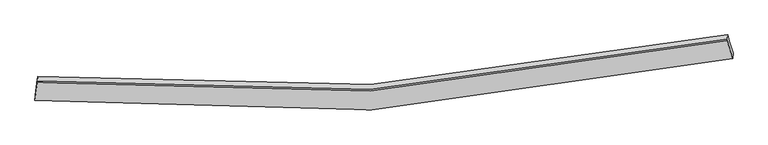
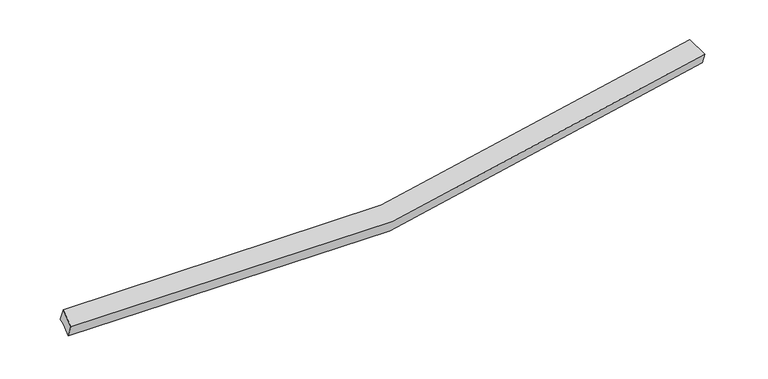
"""IFC4 building model written with IfcOpenShell, lengths in millimetres: proxy geometry."""

from ifc_helpers import new_model, si_unit, frame, origin, place, context, project, spatial, source, transform, mapped, element, save
from ifc_brep_helpers import plane_surface, spline_curve, spline_surface, advanced_brep


def generic_models_c11618d9(model_context):
    return source(origin(), model_context, "Body", "AdvancedBrep", [
        advanced_brep(
        [(-12541.2659263, -2339.3480338, 1118.2940309), (-12480.9267419, -1888.0048025, 1303.6959401), (12757.7044496, -355.5248665, 2635.7819942), (12892.754505, -794.6274819, 2460.636988), (-12554.4323558, -2538.0015397, 1606.182032), (12879.5880755, -993.2809878, 2948.5249891), (-12465.7684718, -1874.7866772, 1878.6161647), (12681.1421972, -348.0527878, 3205.8873757), (-12462.1891794, -1820.7827442, 1745.983867), (12684.7214895, -294.0488548, 3073.2550781), (-12451.3041912, -1656.5513508, 1342.6357063), (12695.6064778, -129.8174614, 2669.9069174)],
        [
            (0, 1),
            (1, 2, spline_curve(3, [(-12480.9267419, -1888.0048025, 1303.6959401), (-8398.104458529, -2301.621750543, 1238.483050522), (-4340.208073539, -2399.801030698, 1306.445595921), (4077.202842302, -1946.350373887, 1726.25056521), (8432.183522286, -1337.344448891, 2102.31670289), (12757.7044496, -355.5248665, 2635.7819942)], [4, 2, 4], [0.0, 40.11594183487367, 83.72795384380117])),
            (2, 3),
            (3, 0, spline_curve(3, [(12892.754505, -794.6274819, 2460.636988), (8534.758704127, -1804.23338634, 1914.98154621), (4146.54800989, -2427.659376765, 1532.147221565), (-4336.108871272, -2883.13317166, 1109.757723843), (-8425.904986059, -2774.614032583, 1045.144397461), (-12541.2659263, -2339.3480338, 1118.2940309)], [4, 2, 4], [0.0, 43.61201200892751, 83.72795384380117])),
            (4, 0),
            (3, 5),
            (5, 4, spline_curve(3, [(12879.5880755, -993.2809878, 2948.5249891), (8521.070772666, -2010.755252317, 2422.194042517), (4132.610213678, -2637.951150923, 2048.618515498), (-4350.004859939, -3092.794194975, 1624.679910077), (-8439.551112986, -2980.505146787, 1550.80778273), (-12554.4323558, -2538.0015397, 1606.182032)], [4, 2, 4], [0.0, 43.784933072279486, 84.05993409749806])),
            (6, 4),
            (5, 7),
            (7, 6, spline_curve(3, [(12681.1421972, -348.0527878, 3205.8873757), (8371.008395172, -1333.756749608, 2693.798058196), (4031.695036449, -1944.104107942, 2328.409071648), (-4355.09925183, -2395.248056891, 1908.562503258), (-8398.089449522, -2293.811993315, 1831.527752439), (-12465.7684718, -1874.7866772, 1878.6161647)], [4, 2, 4], [0.0, 43.532977343605744, 83.57622016985908])),
            (8, 6),
            (7, 9),
            (9, 8, spline_curve(3, [(12684.7214895, -294.0488548, 3073.2550781), (8374.587687044, -1279.752815549, 2561.165760864), (4035.274327808, -1890.100175595, 2195.776773967), (-4351.519958472, -2341.244123289, 1775.930205541), (-8394.510155921, -2239.808061063, 1698.895454627), (-12462.1891794, -1820.7827442, 1745.983867)], [4, 2, 4], [0.0, 43.28106320216377, 83.09258608292596])),
            (10, 8),
            (9, 11),
            (11, 10, spline_curve(3, [(12695.6064778, -129.8174614, 2669.9069174), (8385.994177828, -1107.653062719, 2138.493105678), (4046.930682462, -1714.230513179, 1763.845319472), (-4339.90541106, -2166.005213364, 1345.547860591), (-8383.14547135, -2068.339058592, 1277.771908424), (-12451.3041912, -1656.5513508, 1342.6357063)], [4, 2, 4], [0.0, 43.28103820577691, 83.09253809393786])),
            (1, 10),
            (11, 2),
        ],
        [
            spline_surface(3, 3, [[(-12541.2659263, -2339.3480338, 1118.2940309), (-8425.904986472, -2774.614032017, 1045.144397232), (-4336.108870679, -2883.13317208, 1109.757724296), (4146.548009246, -2427.659376309, 1532.147221072), (8534.758703859, -1804.233385626, 1914.981546404), (12892.754505, -794.6274819, 2460.636988)], [(-12521.152864817, -2188.900290048, 1180.094667309), (-8416.638143919, -2616.949938006, 1109.590614796), (-4337.475271789, -2722.022458197, 1175.320348221), (4123.432953825, -2267.223042263, 1596.84833571), (8500.566976558, -1648.603739879, 1977.42659879), (12847.737819853, -648.259943432, 2519.018656733)], [(-12501.039803383, -2038.452546252, 1241.895303691), (-8407.371301414, -2459.285843951, 1174.036832335), (-4338.84167298, -2560.911744317, 1240.882972175), (4100.317898322, -2106.78670822, 1661.549450378), (8466.375249299, -1492.974094135, 2039.871651177), (12802.721134747, -501.892404968, 2577.400325467)], [(-12480.9267419, -1888.0048025, 1303.6959401), (-8398.104458861, -2301.62174994, 1238.483049899), (-4340.20807409, -2399.801030434, 1306.445596099), (4077.202842901, -1946.350374173, 1726.250565016), (8432.183521997, -1337.344448389, 2102.316703563), (12757.7044496, -355.5248665, 2635.7819942)]], [4, 4], [4, 2, 4], [0.0, 1.7116187434953665], [0.0, 40.11594183487367, 83.72795384380117]),
            spline_surface(3, 3, [[(-12554.4323558, -2538.0015397, 1606.182032), (-8439.551112859, -2980.505146866, 1550.807783398), (-4350.004860481, -3092.7941951, 1624.679909584), (4132.610214268, -2637.951150787, 2048.618516033), (8521.070772297, -2010.755251932, 2422.194042244), (12879.5880755, -993.2809878, 2948.5249891)], [(-12550.043545951, -2471.783704383, 1443.552698292), (-8435.002404048, -2911.874775233, 1382.253321335), (-4345.372863889, -3022.907187446, 1453.039181141), (4137.256145919, -2567.853892647, 1876.461417699), (8525.633416167, -1941.914629813, 2253.123210289), (12883.976885349, -927.063152483, 2785.895655392)], [(-12545.654736149, -2405.565869117, 1280.923364608), (-8430.453695284, -2843.24440365, 1213.698859296), (-4340.740867272, -2953.020179734, 1281.398452739), (4141.902077595, -2497.756634449, 1704.304319406), (8530.196059989, -1873.074007744, 2084.052378359), (12888.365695151, -860.845317217, 2623.266321708)], [(-12541.2659263, -2339.3480338, 1118.2940309), (-8425.904986472, -2774.614032017, 1045.144397232), (-4336.108870679, -2883.13317208, 1109.757724296), (4146.548009246, -2427.659376309, 1532.147221072), (8534.758703859, -1804.233385626, 1914.981546404), (12892.754505, -794.6274819, 2460.636988)]], [4, 4], [4, 2, 4], [0.0, 1.8274200220759118], [0.0, 40.27500102521857, 84.05993409749806]),
            spline_surface(3, 3, [[(-12465.7684718, -1874.7866772, 1878.6161647), (-8398.089448953, -2293.811993693, 1831.527752276), (-4355.099251471, -2395.24805655, 1908.562503041), (4031.69503606, -1944.104108312, 2328.409071884), (8371.008394921, -1333.756749019, 2693.798058068), (12681.1421972, -348.0527878, 3205.8873757)], [(-12495.323099812, -2095.85829803, 1787.804787151), (-8411.910003601, -2522.709711415, 1737.954429335), (-4353.401121151, -2627.763436058, 1813.934971913), (4065.333428786, -2175.386455795, 2235.145553291), (8421.029187386, -1559.422916663, 2603.263386104), (12747.290823306, -563.128854473, 3120.099913477)], [(-12524.877727788, -2316.92991887, 1696.993409549), (-8425.730558212, -2751.607429145, 1644.38110634), (-4351.702990801, -2860.278815592, 1719.307440712), (4098.971821542, -2406.668803304, 2141.882034626), (8471.049979833, -1785.089084288, 2512.728714207), (12813.439449394, -778.204921127, 3034.312451323)], [(-12554.4323558, -2538.0015397, 1606.182032), (-8439.551112859, -2980.505146866, 1550.807783398), (-4350.004860481, -3092.7941951, 1624.679909584), (4132.610214268, -2637.951150787, 2048.618516033), (8521.070772297, -2010.755251932, 2422.194042244), (12879.5880755, -993.2809878, 2948.5249891)]], [4, 4], [4, 2, 4], [0.0, 2.4688122886763817], [0.0, 40.04324282625334, 83.57622016985908]),
            spline_surface(3, 3, [[(-12462.1891794, -1820.7827442, 1745.983867), (-8394.510156553, -2239.808060693, 1698.895454576), (-4351.519959071, -2341.24412355, 1775.930205341), (4035.27432846, -1890.100175312, 2195.776774184), (8374.587687221, -1279.752816019, 2561.165760468), (12684.7214895, -294.0488548, 3073.2550781)], [(-12463.382276859, -1838.784055207, 1790.194632889), (-8395.703254012, -2257.8093717, 1743.106220465), (-4352.71305653, -2359.245434557, 1820.14097123), (4034.081231001, -1908.101486318, 2239.987540073), (8373.394589762, -1297.754127026, 2605.376526357), (12683.528392041, -312.050165807, 3117.465843989)], [(-12464.575374341, -1856.785366193, 1834.405398811), (-8396.896351494, -2275.810682687, 1787.316986387), (-4353.906154012, -2377.246745543, 1864.351737152), (4032.888133518, -1926.102797305, 2284.198305995), (8372.20149238, -1315.755438013, 2649.587292179), (12682.335294659, -330.051476793, 3161.676609811)], [(-12465.7684718, -1874.7866772, 1878.6161647), (-8398.089448953, -2293.811993693, 1831.527752276), (-4355.099251471, -2395.24805655, 1908.562503041), (4031.69503606, -1944.104108312, 2328.409071884), (8371.008394921, -1333.756749019, 2693.798058068), (12681.1421972, -348.0527878, 3205.8873757)]], [4, 4], [4, 2, 4], [0.0, 0.46998031496062587], [0.0, 39.81152288076219, 83.09258608292596]),
            spline_surface(3, 3, [[(-12451.3041912, -1656.5513508, 1342.6357063), (-8383.145471466, -2068.339058345, 1277.77190881), (-4339.905410669, -2166.00521313, 1345.547860453), (4046.930682037, -1714.230513434, 1763.845319622), (8385.994177583, -1107.653062213, 2138.493105028), (12695.6064778, -129.8174614, 2669.9069174)], [(-12454.932520604, -1711.295148594, 1477.085093196), (-8386.933699833, -2125.495392455, 1418.146424061), (-4343.776926816, -2224.418183261, 1489.008642084), (4043.045230832, -1772.853734051, 1907.822471144), (8382.192014158, -1165.019646809, 2279.38399017), (12691.978148396, -184.561259194, 2804.356304296)], [(-12458.560849996, -1766.038946406, 1611.534480104), (-8390.721928187, -2182.651726583, 1558.520939325), (-4347.648442924, -2282.831153418, 1632.46942371), (4039.159779665, -1831.476954694, 2051.799622662), (8378.389850645, -1222.386231423, 2420.274875325), (12688.349818904, -239.305057006, 2938.805691204)], [(-12462.1891794, -1820.7827442, 1745.983867), (-8394.510156553, -2239.808060693, 1698.895454576), (-4351.519959071, -2341.24412355, 1775.930205341), (4035.27432846, -1890.100175312, 2195.776774184), (8374.587687221, -1279.752816019, 2561.165760468), (12684.7214895, -294.0488548, 3073.2550781)]], [4, 4], [4, 2, 4], [0.0, 1.527854520049988], [0.0, 39.81149988816095, 83.09253809393786]),
            spline_surface(3, 3, [[(-12480.9267419, -1888.0048025, 1303.6959401), (-8398.104458861, -2301.62174994, 1238.483049899), (-4340.20807409, -2399.801030434, 1306.445596099), (4077.202842901, -1946.350374173, 1726.250565016), (8432.183521997, -1337.344448389, 2102.316703563), (12757.7044496, -355.5248665, 2635.7819942)], [(-12471.052558357, -1810.853651938, 1316.675862164), (-8393.118129753, -2223.860852745, 1251.579336199), (-4340.107186287, -2321.869091325, 1319.479684226), (4067.112122609, -1868.977087253, 1738.782149894), (8416.787073847, -1260.780653008, 2114.375504064), (12737.005125655, -280.289064811, 2647.156968613)], [(-12461.178374743, -1733.702501362, 1329.655784236), (-8388.131800574, -2146.099955539, 1264.675622509), (-4340.006298472, -2243.937152239, 1332.513772326), (4057.021402329, -1791.603800355, 1751.313734745), (8401.390625733, -1184.216857594, 2126.434304527), (12716.305801745, -205.053263089, 2658.531942987)], [(-12451.3041912, -1656.5513508, 1342.6357063), (-8383.145471466, -2068.339058345, 1277.77190881), (-4339.905410669, -2166.00521313, 1345.547860453), (4046.930682037, -1714.230513434, 1763.845319622), (8385.994177583, -1107.653062213, 2138.493105028), (12695.6064778, -129.8174614, 2669.9069174)]], [4, 4], [4, 2, 4], [0.0, 0.776133599764221], [0.0, 39.88422093349284, 83.24431776178373]),
            plane_surface(frame((12781.359141, -524.2607171, 2784.1476529), z_axis=(0.9612098065133371, 0.24542354441892367, 0.1258689465573052), x_axis=(-0.024986334215909418, -0.3769908064200046, 0.9258799139074384))),
            plane_surface(frame((-12498.7395374, -2059.3384808, 1449.8847748), z_axis=(-0.9921259461794983, 0.12305225829493012, 0.023329137274086517), x_axis=(-0.12272648459026647, -0.9180065760131081, -0.37709698537220454))),
        ],
        [
            (0, [[1, 2, 3, 4]]),
            (1, [[5, -4, 6, 7]]),
            (2, [[8, -7, 9, 10]]),
            (3, [[11, -10, 12, 13]]),
            (4, [[14, -13, 15, 16]]),
            (5, [[17, -16, 18, -2]]),
            (6, [[-12, -9, -6, -3, -18, -15]]),
            (7, [[-1, -5, -8, -11, -14, -17]]),
        ],
    ),
    ])


if __name__ == "__main__":
    model = new_model("IFC4")
    model_context = context("Model", 3, world=origin())
    ifc_project = project(units=[si_unit("LENGTHUNIT", "METRE", prefix="MILLI")], contexts=[model_context])
    site = spatial("IfcSite", under=ifc_project)
    building = spatial("IfcBuilding", under=site)
    placement = place(None, origin())
    generic_models_shape = generic_models_c11618d9(model_context)
    element("IfcBuildingElementProxy", 1, Name="Generic Models", at=placement, inside=building, context=model_context, shape_type="MappedRepresentation", body=[
        mapped(generic_models_shape, transform((0.0, 0.0, 0.0), x_axis=(1.0, 0.0, 0.0), y_axis=(0.0, 1.0, 0.0), z_axis=(0.0, 0.0, 1.0))),
    ])
    save(model, "model.ifc")
